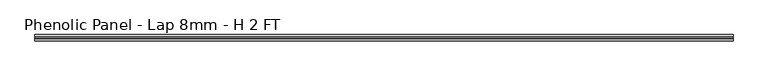
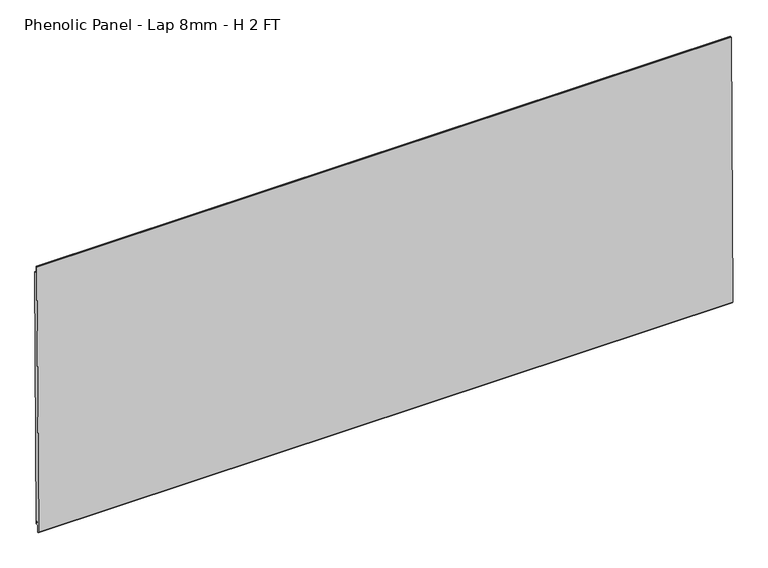
"""IFC4 building model written with IfcOpenShell, lengths in millimetres: proxy geometry, Phenolic Panel - Lap 8mm - H 2 FT."""

from ifc_helpers import new_model, si_unit, frame, origin, place, context, project, spatial, polyline, outline, extrude, source, transform, mapped, element, save


def phenolic_panel_lap_8mm_h_2_ft_0112a41e(model_context):
    return source(origin(), model_context, "Body", "SweptSolid", [
        extrude(outline(polyline([(2.7732555, 593.6735917), (-2.7736212, 15.850215), (-5.1547614, 15.873073), (-5.0785681, 23.8102073), (-7.6581367, 23.8349701), (-7.8867168, 0.0235672), (-9.8571575, 0.0424827), (-10.8534851, 1.0581244), (-5.0211492, 608.618069), (-4.0055075, 609.6143966), (-2.6240021, 609.6011347), (-2.7763888, 593.7268661), (2.7732555, 593.6735917)])), frame((-295.275, 0.0, 0.0), z_axis=(1.0, 0.0, 0.0), x_axis=(0.0, 1.0, 0.0)), (0.0, 0.0, 1.0), 1514.475),
    ])


if __name__ == "__main__":
    model = new_model("IFC4")
    model_context = context("Model", 3, world=origin())
    ifc_project = project(units=[si_unit("LENGTHUNIT", "METRE", prefix="MILLI")], contexts=[model_context])
    site = spatial("IfcSite", under=ifc_project)
    building = spatial("IfcBuilding", under=site)
    placement = place(None, origin())
    phenolic_panel_lap_8mm_h_2_ft_shape = phenolic_panel_lap_8mm_h_2_ft_0112a41e(model_context)
    element("IfcBuildingElementProxy", 1, Name="Phenolic Panel - Lap 8mm - H 2 FT", ObjectType="Phenolic Panel - Lap 8mm - H 2 FT", at=placement, inside=building, context=model_context, shape_type="MappedRepresentation", body=[
        mapped(phenolic_panel_lap_8mm_h_2_ft_shape, transform((0.0, 0.0, 0.0), x_axis=(1.0, 0.0, 0.0), y_axis=(0.0, 1.0, 0.0), z_axis=(0.0, 0.0, 1.0))),
    ])
    save(model, "model.ifc")
